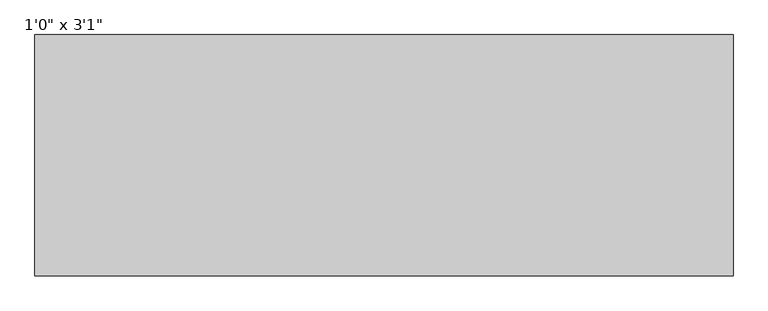
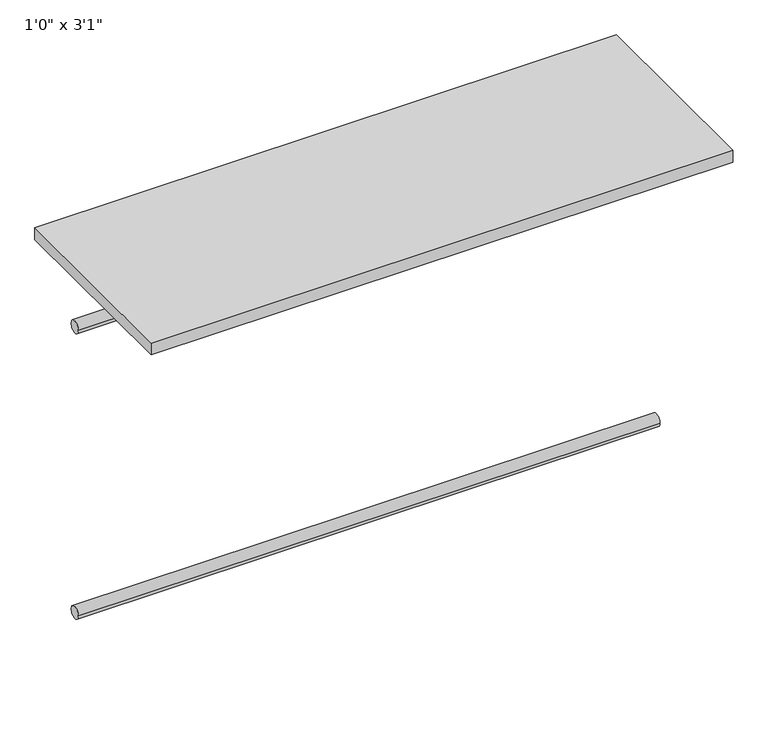
"""IFC4 building model written with IfcOpenShell, lengths in millimetres: furniture geometry."""

from ifc_helpers import new_model, si_unit, point, frame, frame_2d, origin, origin_with_axes, place, context, project, spatial, polyline, circle_curve, trimmed, segment, composite_curve, outline, extrude, source, transform, mapped, element, save


def furniture_838a64f0(model_context):
    return source(origin(), model_context, "Body", "SweptSolid", [
        extrude(outline(composite_curve([segment(trimmed(circle_curve(frame_2d((-342.9, -711.2)), 12.7), [point((-330.2, -711.2))], [point((-355.6, -711.2))], False, "CARTESIAN"), True, "CONTINUOUS"), segment(trimmed(circle_curve(frame_2d((-342.9, -711.2)), 12.7), [point((-355.6, -711.2))], [point((-330.2, -711.2))], False, "CARTESIAN"), True, "CONTINUOUS")], self_intersect=False)), frame((-568.8928708, 0.0, 0.0), z_axis=(1.0, 0.0, 0.0), x_axis=(0.0, 1.0, 0.0)), (0.0, 0.0, 1.0), 1175.2611515),
        extrude(outline(composite_curve([segment(trimmed(circle_curve(frame_2d((-342.9, -101.6)), 12.7), [point((-330.2, -101.6))], [point((-355.6, -101.6))], False, "CARTESIAN"), True, "CONTINUOUS"), segment(trimmed(circle_curve(frame_2d((-342.9, -101.6)), 12.7), [point((-355.6, -101.6))], [point((-330.2, -101.6))], False, "CARTESIAN"), True, "CONTINUOUS")], self_intersect=False)), frame((-568.8928708, 0.0, 0.0), z_axis=(1.0, 0.0, 0.0), x_axis=(0.0, 1.0, 0.0)), (0.0, 0.0, 1.0), 1175.2611515),
        extrude(outline(polyline([(606.3682806, -203.2), (606.3682806, -609.6), (-568.8928708, -609.6), (-568.8928708, -203.2), (606.3682806, -203.2)])), origin_with_axes(), (0.0, 0.0, 1.0), 25.4),
    ])


if __name__ == "__main__":
    model = new_model("IFC4")
    model_context = context("Model", 3, world=origin())
    ifc_project = project(units=[si_unit("LENGTHUNIT", "METRE", prefix="MILLI")], contexts=[model_context])
    site = spatial("IfcSite", under=ifc_project)
    building = spatial("IfcBuilding", under=site)
    placement = place(None, origin())
    furniture_shape = furniture_838a64f0(model_context)
    element("IfcFurniture", 1, ObjectType="1'0\" x 3'1\"", at=placement, inside=building, context=model_context, shape_type="MappedRepresentation", body=[
        mapped(furniture_shape, transform((0.0, 0.0, 0.0), x_axis=(1.0, 0.0, 0.0), y_axis=(0.0, 1.0, 0.0), z_axis=(0.0, 0.0, 1.0))),
    ])
    save(model, "model.ifc")
